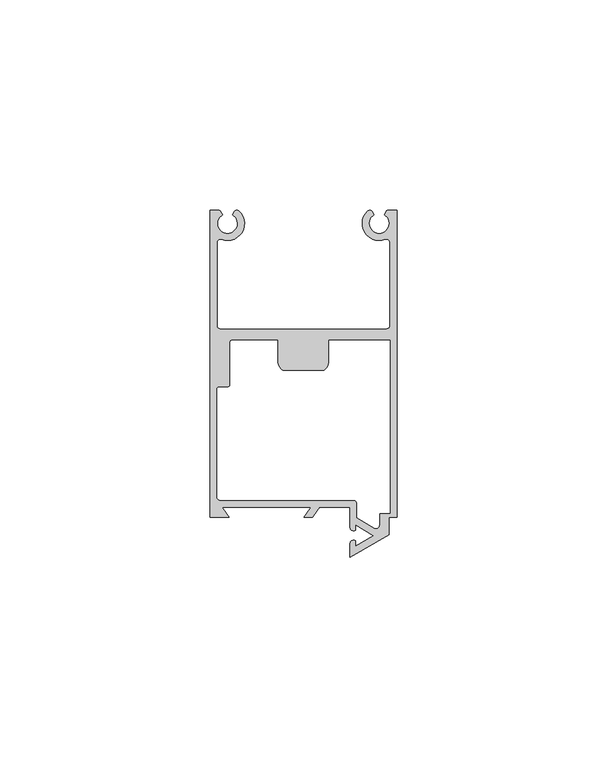
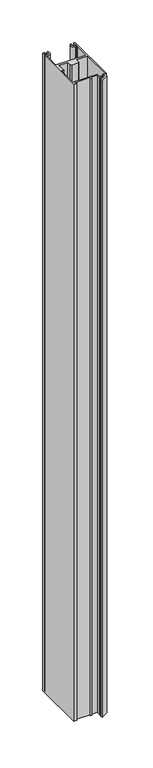
"""IFC4 building model written with IfcOpenShell, lengths in millimetres: proxy geometry."""

from ifc_helpers import new_model, si_unit, point, frame, frame_2d, origin, place, context, project, spatial, polyline, circle_curve, trimmed, segment, composite_curve, outline, extrude, source, transform, mapped, element, save


def generic_models_7231bc4b(model_context):
    return source(origin(), model_context, "Body", "SweptSolid", [
        extrude(outline(composite_curve([segment(trimmed(circle_curve(frame_2d((37044.3263091, -24085.0847354)), 2.3876), [point((37043.1325091, -24083.0170131))], [point((37045.5201091, -24083.0170131))], True, "CARTESIAN"), True, "CONTINUOUS"), segment(polyline([(37045.5201091, -24083.0170131), (37045.919691, -24082.324917)]), True, "CONTINUOUS"), segment(trimmed(circle_curve(frame_2d((37046.5796023, -24082.705917)), 0.762), [point((37045.919691, -24082.324917))], [point((37047.103624, -24082.1527034))], False, "CARTESIAN"), True, "CONTINUOUS"), segment(trimmed(circle_curve(frame_2d((37044.3263091, -24085.0847354)), 4.0386), [point((37047.103624, -24082.1527034))], [point((37042.8518995, -24088.8445767))], False, "CARTESIAN"), True, "CONTINUOUS"), segment(trimmed(circle_curve(frame_2d((37042.5737091, -24089.5539807)), 0.762), [point((37042.8518995, -24088.8445767))], [point((37041.8117091, -24089.5539807))], True, "CARTESIAN"), True, "CONTINUOUS"), segment(polyline([(37041.8117091, -24089.5539807), (37041.8117091, -24109.4179354)]), True, "CONTINUOUS"), segment(trimmed(circle_curve(frame_2d((37042.5737091, -24109.4179354)), 0.762), [point((37041.8117091, -24109.4179354))], [point((37042.5737091, -24110.1799354))], True, "CARTESIAN"), True, "CONTINUOUS"), segment(polyline([(37042.5737091, -24110.1799354), (37082.1977091, -24110.1799354)]), True, "CONTINUOUS"), segment(trimmed(circle_curve(frame_2d((37082.1977091, -24109.4179354)), 0.762), [point((37082.1977091, -24110.1799354))], [point((37082.9597091, -24109.4179354))], True, "CARTESIAN"), True, "CONTINUOUS"), segment(polyline([(37082.9597091, -24109.4179354), (37082.9597091, -24089.5539807)]), True, "CONTINUOUS"), segment(trimmed(circle_curve(frame_2d((37082.1977091, -24089.5539807)), 0.762), [point((37082.9597091, -24089.5539807))], [point((37081.9195186, -24088.8445767))], True, "CARTESIAN"), True, "CONTINUOUS"), segment(trimmed(circle_curve(frame_2d((37080.4451091, -24085.0847354)), 4.0386), [point((37081.9195186, -24088.8445767))], [point((37077.6677941, -24082.1527034))], False, "CARTESIAN"), True, "CONTINUOUS"), segment(trimmed(circle_curve(frame_2d((37078.1918158, -24082.705917)), 0.762), [point((37077.6677941, -24082.1527034))], [point((37078.8517272, -24082.324917))], False, "CARTESIAN"), True, "CONTINUOUS"), segment(polyline([(37078.8517272, -24082.324917), (37079.2513091, -24083.0170131)]), True, "CONTINUOUS"), segment(trimmed(circle_curve(frame_2d((37080.4451091, -24085.0847354)), 2.3876), [point((37079.2513091, -24083.0170131))], [point((37081.6389091, -24083.0170131))], True, "CARTESIAN"), True, "CONTINUOUS"), segment(polyline([(37081.6389091, -24083.0170131), (37082.0582257, -24082.2907354)]), True, "CONTINUOUS"), segment(trimmed(circle_curve(frame_2d((37082.7181371, -24082.6717354)), 0.762), [point((37082.0582257, -24082.2907354))], [point((37082.7181371, -24081.9097354))], False, "CARTESIAN"), True, "CONTINUOUS"), segment(polyline([(37082.7181371, -24081.9097354), (37084.6107091, -24081.9097354), (37084.6107091, -24154.9347354), (37082.7057091, -24154.9347354), (37082.7057091, -24159.1364504), (37073.4855091, -24164.4597354), (37073.4855091, -24161.3441649)]), True, "CONTINUOUS"), segment(trimmed(circle_curve(frame_2d((37074.3745091, -24161.3441649)), 0.889), [point((37073.4855091, -24161.3441649))], [point((37074.7555091, -24160.5409464))], False, "CARTESIAN"), True, "CONTINUOUS"), segment(polyline([(37074.7555091, -24160.5409464), (37074.7555091, -24161.82009), (37079.0993626, -24159.3121649), (37074.7555091, -24156.8042399), (37074.7555091, -24158.0833835)]), True, "CONTINUOUS"), segment(trimmed(circle_curve(frame_2d((37074.3745091, -24157.2801649)), 0.889), [point((37074.7555091, -24158.0833835))], [point((37073.4855091, -24157.2801649))], False, "CARTESIAN"), True, "CONTINUOUS"), segment(polyline([(37073.4855091, -24157.2801649), (37073.4855091, -24152.5471354), (37066.233566, -24152.5471354), (37064.5617505, -24154.9347354), (37062.5462517, -24154.9347354), (37064.2180672, -24152.5471354), (37043.0862936, -24152.5471354), (37044.7581091, -24154.9347354), (37040.1607091, -24154.9347354), (37040.1607091, -24081.9097354), (37042.0532811, -24081.9097354)]), True, "CONTINUOUS"), segment(trimmed(circle_curve(frame_2d((37042.0532811, -24082.6717354)), 0.762), [point((37042.0532811, -24081.9097354))], [point((37042.7131924, -24082.2907354))], False, "CARTESIAN"), True, "CONTINUOUS"), segment(polyline([(37042.7131924, -24082.2907354), (37043.1325091, -24083.0170131)]), True, "CONTINUOUS")], self_intersect=False), holes=[composite_curve([segment(polyline([(37075.1365091, -24151.6581354), (37075.1365091, -24155.1177998), (37079.3021091, -24157.5228101)]), True, "CONTINUOUS"), segment(trimmed(circle_curve(frame_2d((37079.6831091, -24156.8628987)), 0.762), [point((37079.3021091, -24157.5228101))], [point((37080.4451091, -24156.8628987))], True, "CARTESIAN"), True, "CONTINUOUS"), segment(polyline([(37080.4451091, -24156.8628987), (37080.4451091, -24154.0203354), (37082.9597091, -24154.0203354), (37082.9597091, -24112.8723354), (37068.5452091, -24112.8723354), (37068.5452091, -24118.136996)]), True, "CONTINUOUS"), segment(trimmed(circle_curve(frame_2d((37065.0189067, -24117.3006494)), 3.6241253), [point((37068.5452091, -24118.136996))], [point((37067.2752091, -24120.1367354))], False, "CARTESIAN"), True, "CONTINUOUS"), segment(polyline([(37067.2752091, -24120.1367354), (37057.4962091, -24120.1367354)]), True, "CONTINUOUS"), segment(trimmed(circle_curve(frame_2d((37059.7525114, -24117.3006494)), 3.6241253), [point((37057.4962091, -24120.1367354))], [point((37056.2262091, -24118.136996))], False, "CARTESIAN"), True, "CONTINUOUS"), segment(polyline([(37056.2262091, -24118.136996), (37056.2262091, -24112.8723354), (37045.4439091, -24112.8723354)]), True, "CONTINUOUS"), segment(trimmed(circle_curve(frame_2d((37045.4439091, -24113.3803354)), 0.508), [point((37045.4439091, -24112.8723354))], [point((37044.9359091, -24113.3803354))], True, "CARTESIAN"), True, "CONTINUOUS"), segment(polyline([(37044.9359091, -24113.3803354), (37044.9359091, -24123.4895354)]), True, "CONTINUOUS"), segment(trimmed(circle_curve(frame_2d((37044.4279091, -24123.4895354)), 0.508), [point((37044.9359091, -24123.4895354))], [point((37044.4279091, -24123.9975354))], False, "CARTESIAN"), True, "CONTINUOUS"), segment(polyline([(37044.4279091, -24123.9975354), (37042.3197091, -24123.9975354)]), True, "CONTINUOUS"), segment(trimmed(circle_curve(frame_2d((37042.3197091, -24124.5055354)), 0.508), [point((37042.3197091, -24123.9975354))], [point((37041.8117091, -24124.5055354))], True, "CARTESIAN"), True, "CONTINUOUS"), segment(polyline([(37041.8117091, -24124.5055354), (37041.8117091, -24150.1341354)]), True, "CONTINUOUS"), segment(trimmed(circle_curve(frame_2d((37042.5737091, -24150.1341354)), 0.762), [point((37041.8117091, -24150.1341354))], [point((37042.5737091, -24150.8961354))], True, "CARTESIAN"), True, "CONTINUOUS"), segment(polyline([(37042.5737091, -24150.8961354), (37074.3745091, -24150.8961354)]), True, "CONTINUOUS"), segment(trimmed(circle_curve(frame_2d((37074.3745091, -24151.6581354)), 0.762), [point((37074.3745091, -24150.8961354))], [point((37075.1365091, -24151.6581354))], False, "CARTESIAN"), True, "CONTINUOUS")], self_intersect=False)]), frame((0.0, 0.0, 1524.0), z_axis=(0.0, 0.0, 1.0), x_axis=(1.0, 0.0, 0.0)), (0.0, 0.0, 1.0), 914.4),
    ])


if __name__ == "__main__":
    model = new_model("IFC4")
    model_context = context("Model", 3, world=origin())
    ifc_project = project(units=[si_unit("LENGTHUNIT", "METRE", prefix="MILLI")], contexts=[model_context])
    site = spatial("IfcSite", under=ifc_project)
    building = spatial("IfcBuilding", under=site)
    placement = place(None, origin())
    generic_models_shape = generic_models_7231bc4b(model_context)
    element("IfcBuildingElementProxy", 1, Name="Generic Models", at=placement, inside=building, context=model_context, shape_type="MappedRepresentation", body=[
        mapped(generic_models_shape, transform((0.0, 0.0, 0.0), x_axis=(1.0, 0.0, 0.0), y_axis=(0.0, 1.0, 0.0), z_axis=(0.0, 0.0, 1.0))),
    ])
    save(model, "model.ifc")
